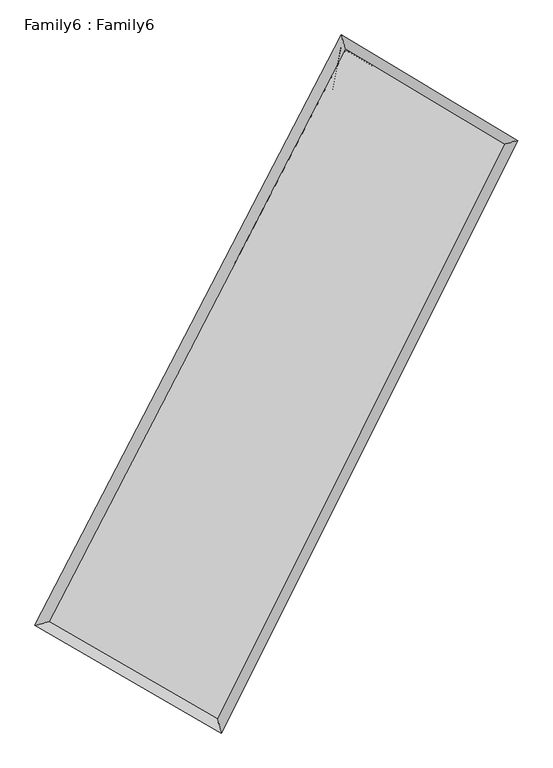
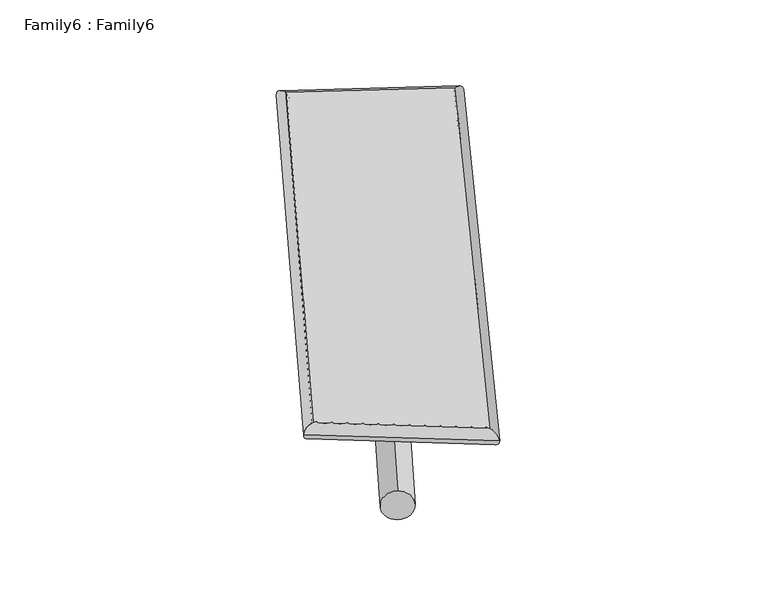
"""IFC4 building model written with IfcOpenShell, lengths in millimetres: plate geometry, Family6 : Family6."""

import ifcopenshell
import ifcopenshell.guid

model = None  # the IFC model being written
_history = None  # IfcOwnerHistory: only IFC2X3 demands one
_inside = {}  # id of a spatial element -> (the spatial element, [elements in it])
_under = {}  # id of a project, library or spatial element -> (it, [spatial elements below it])
_declared = {}  # id of a project -> (the project, [libraries it declares])
_typed = {}  # id of a type object -> (the type object, [elements of that type])
_made_of = {}  # id of a material, layer set ... -> (it, [elements and type objects made of it])


def new_model(schema):
    """Start an empty IFC model of exactly this schema.

    Asked for "IFC4X3", IfcOpenShell would pick the latest addendum, in which some entities
    have other attributes; the version numbers below select the first issue.
    IFC2X3 requires an IfcOwnerHistory on every rooted entity: one is made here for all.
    """
    global model, _history
    if schema == "IFC4X3":
        model = ifcopenshell.file(schema_version=(4, 3, 0, 0))
    else:
        model = ifcopenshell.file(schema=schema)
    _inside.clear()
    _under.clear()
    _declared.clear()
    _typed.clear()
    _made_of.clear()
    _history = None
    if model.schema == "IFC2X3":
        org = make("IfcOrganization", Name="unknown")
        user = make(
            "IfcPersonAndOrganization",
            ThePerson=make("IfcPerson", FamilyName="unknown"),
            TheOrganization=org,
        )
        app = make(
            "IfcApplication",
            ApplicationDeveloper=org,
            Version="unknown",
            ApplicationFullName="unknown",
            ApplicationIdentifier="unknown",
        )
        _history = make(
            "IfcOwnerHistory",
            OwningUser=user,
            OwningApplication=app,
            ChangeAction="ADDED",
            CreationDate=0,
        )
    return model


def make(cls, **values):
    """One entity of the class cls with the attributes given. An attribute that is None is left unset."""
    return model.create_entity(
        cls, **{name: value for name, value in values.items() if value is not None}
    )


def rooted(cls, **values):
    """An entity with a GlobalId (a new one), such as an element, a storey or a relation."""
    return make(cls, GlobalId=ifcopenshell.guid.new(), OwnerHistory=_history, **values)


def si_unit(unit_type, name, prefix=None):
    """IfcSIUnit, for example si_unit("LENGTHUNIT", "METRE", prefix="MILLI")."""
    return make("IfcSIUnit", UnitType=unit_type, Prefix=prefix, Name=name)


def assignment(units):
    """IfcUnitAssignment: the units of a project."""
    return None if units is None else make("IfcUnitAssignment", Units=units)


def point(xyz):
    """IfcCartesianPoint."""
    return None if xyz is None else make("IfcCartesianPoint", Coordinates=xyz)


def direction(xyz):
    """IfcDirection."""
    return None if xyz is None else make("IfcDirection", DirectionRatios=xyz)


def frame(location, z_axis=None, x_axis=None):
    """IfcAxis2Placement3D, a coordinate frame: its origin and axes. An axis left out is left unset."""
    return make(
        "IfcAxis2Placement3D",
        Location=point(location),
        Axis=direction(z_axis),
        RefDirection=direction(x_axis),
    )


def frame_2d(location, x_axis=None):
    """IfcAxis2Placement2D, a coordinate frame in the plane: its origin and x axis."""
    return make(
        "IfcAxis2Placement2D", Location=point(location), RefDirection=direction(x_axis)
    )


def origin():
    """The frame at (0, 0, 0) with its axes left unset."""
    return frame((0.0, 0.0, 0.0))


def origin_2d():
    """The frame at (0, 0) in the plane with its x axis left unset."""
    return frame_2d((0.0, 0.0))


def place(relative_to, where):
    """IfcLocalPlacement: puts the frame where relative to a parent placement (None: the world)."""
    return make(
        "IfcLocalPlacement", PlacementRelTo=relative_to, RelativePlacement=where
    )


def context(
    kind, dimensions, precision=None, world=None, true_north=None, identifier=None
):
    """IfcGeometricRepresentationContext, for example the 3D "Model" context."""
    return make(
        "IfcGeometricRepresentationContext",
        ContextIdentifier=identifier,
        ContextType=kind,
        CoordinateSpaceDimension=dimensions,
        Precision=precision,
        WorldCoordinateSystem=world,
        TrueNorth=true_north,
    )


def project(units=None, contexts=None):
    """IfcProject with its units and contexts."""
    return rooted(
        "IfcProject",
        Name="project",
        RepresentationContexts=contexts,
        UnitsInContext=assignment(units),
    )


def spatial(cls, under=None, at=None, **own):
    """A site, building, storey or space (cls), placed at a placement, below another one or the project."""
    s = rooted(cls, ObjectPlacement=at, **own)
    if under is not None:
        _under.setdefault(under.id(), (under, []))[1].append(s)
    return s


def circle_curve(where, radius):
    """IfcCircle in the frame where."""
    return make("IfcCircle", Position=where, Radius=radius)


def ellipse_curve(where, semi_axis1, semi_axis2):
    """IfcEllipse in the frame where."""
    return make(
        "IfcEllipse", Position=where, SemiAxis1=semi_axis1, SemiAxis2=semi_axis2
    )


def trimmed(basis, trim1, trim2, sense, master):
    """IfcTrimmedCurve: the piece of a basis curve between two trims."""
    return make(
        "IfcTrimmedCurve",
        BasisCurve=basis,
        Trim1=trim1,
        Trim2=trim2,
        SenseAgreement=sense,
        MasterRepresentation=master,
    )


def segment(curve, same_sense, transition):
    """IfcCompositeCurveSegment."""
    return make(
        "IfcCompositeCurveSegment",
        Transition=transition,
        SameSense=same_sense,
        ParentCurve=curve,
    )


def composite_curve(segments, self_intersect=None):
    """IfcCompositeCurve: segments joined end to end."""
    return make("IfcCompositeCurve", Segments=segments, SelfIntersect=self_intersect)


def outline(outer, holes=None, kind="AREA"):
    """IfcArbitraryClosedProfileDef: a profile drawn as a closed curve; with holes, ...WithVoids."""
    if holes is None:
        return make("IfcArbitraryClosedProfileDef", ProfileType=kind, OuterCurve=outer)
    return make(
        "IfcArbitraryProfileDefWithVoids",
        ProfileType=kind,
        OuterCurve=outer,
        InnerCurves=holes,
    )


def extrude(swept, where, along, depth):
    """IfcExtrudedAreaSolid: the profile swept, set in the frame where, extruded along a direction by depth."""
    return make(
        "IfcExtrudedAreaSolid",
        SweptArea=swept,
        Position=where,
        ExtrudedDirection=direction(along),
        Depth=depth,
    )


def shape(context_of_items, identifier, shape_type, items):
    """IfcShapeRepresentation: the items that make up one representation, for example the "Body"."""
    return make(
        "IfcShapeRepresentation",
        ContextOfItems=context_of_items,
        RepresentationIdentifier=identifier,
        RepresentationType=shape_type,
        Items=items,
    )


def source(mapping_origin, context_of_items, identifier, shape_type, items):
    """IfcRepresentationMap: a shape defined once, which mapped items show again and again."""
    return make(
        "IfcRepresentationMap",
        MappingOrigin=mapping_origin,
        MappedRepresentation=shape(context_of_items, identifier, shape_type, items),
    )


def transform(
    local_origin,
    x_axis=None,
    y_axis=None,
    z_axis=None,
    scale=None,
    scale2=None,
    scale3=None,
    uniform=True,
):
    """IfcCartesianTransformationOperator3D, or its non-uniform kind. x_axis, y_axis, z_axis: its Axis1, 2, 3."""
    if uniform:
        return make(
            "IfcCartesianTransformationOperator3D",
            Axis1=direction(x_axis),
            Axis2=direction(y_axis),
            LocalOrigin=point(local_origin),
            Scale=scale,
            Axis3=direction(z_axis),
        )
    return make(
        "IfcCartesianTransformationOperator3DnonUniform",
        Axis1=direction(x_axis),
        Axis2=direction(y_axis),
        LocalOrigin=point(local_origin),
        Scale=scale,
        Axis3=direction(z_axis),
        Scale2=scale2,
        Scale3=scale3,
    )


def mapped(mapping_source, mapping_target):
    """IfcMappedItem: shows the shape of a source again, moved by a transform."""
    return make(
        "IfcMappedItem", MappingSource=mapping_source, MappingTarget=mapping_target
    )


def made_of(thing, what):
    """Note that an element or type object is made of a material, layer set ...; save() writes the relation."""
    if what is not None:
        _made_of.setdefault(what.id(), (what, []))[1].append(thing)
    return thing


def element(
    cls,
    number,
    at=None,
    inside=None,
    cuts=None,
    type_object=None,
    material=None,
    context=None,
    identifier="Body",
    shape_type=None,
    held_by="IfcProductDefinitionShape",
    body=None,
    shapes=None,
    **own,
):
    """One element of the class cls, such as IfcWall. Its Tag is "e" and its number.

    at: its placement. inside: the storey or other place that contains it. cuts: it is an
    opening in that element (IfcRelVoidsElement). A single representation is given by context,
    identifier, shape_type and body (its items); several are given by shapes. held_by: the class
    of the entity that holds the representations. save() writes the other relations.
    """
    e = rooted(cls, Tag="e%d" % number, ObjectPlacement=at, **own)
    if body is not None:
        shapes = [shape(context, identifier, shape_type, body)]
    if shapes is not None:
        e.Representation = make(held_by, Representations=shapes)
    if inside is not None:
        _inside.setdefault(inside.id(), (inside, []))[1].append(e)
    if cuts is not None:
        rooted(
            "IfcRelVoidsElement", RelatingBuildingElement=cuts, RelatedOpeningElement=e
        )
    if type_object is not None:
        _typed.setdefault(type_object.id(), (type_object, []))[1].append(e)
    return made_of(e, material)


def aggregate(whole, parts):
    """IfcRelAggregates: a whole, such as a stair, and the parts it consists of."""
    return rooted("IfcRelAggregates", RelatingObject=whole, RelatedObjects=parts)


def save(model, path):
    """Write the relations noted so far, then the file.

    IfcRelAggregates (storeys below a building ...), IfcRelContainedInSpatialStructure (elements
    in a storey), IfcRelDefinesByType, IfcRelAssociatesMaterial and IfcRelDeclares: one each for
    every whole, place, type object, material and project.
    """
    for whole, parts in _under.values():
        aggregate(whole, parts)
    for where, things in _inside.values():
        rooted(
            "IfcRelContainedInSpatialStructure",
            RelatedElements=things,
            RelatingStructure=where,
        )
    for kind, things in _typed.values():
        rooted("IfcRelDefinesByType", RelatedObjects=things, RelatingType=kind)
    for what, things in _made_of.values():
        rooted("IfcRelAssociatesMaterial", RelatedObjects=things, RelatingMaterial=what)
    for by, libraries in _declared.values():
        rooted("IfcRelDeclares", RelatingContext=by, RelatedDefinitions=libraries)
    model.write(path)


def plane_surface(at):
    """IfcPlane: the flat surface through the origin of the frame at, square to its z axis."""
    return make("IfcPlane", Position=at)


def cylinder_surface(at, radius):
    """IfcCylindricalSurface: all points at the distance radius from the z axis of the frame at."""
    return make("IfcCylindricalSurface", Position=at, Radius=radius)


def spline_surface(u_degree, v_degree, points, u_multiplicities, v_multiplicities, u_knots, v_knots, weights=None):
    """IfcBSplineSurfaceWithKnots; with weights, IfcRationalBSplineSurfaceWithKnots. points: one row for each step in u."""
    own = dict(
        UDegree=u_degree,
        VDegree=v_degree,
        ControlPointsList=[[point(p) for p in row] for row in points],
        SurfaceForm="UNSPECIFIED",
        UClosed=False,
        VClosed=False,
        SelfIntersect=False,
        UMultiplicities=u_multiplicities,
        VMultiplicities=v_multiplicities,
        UKnots=u_knots,
        VKnots=v_knots,
        KnotSpec="UNSPECIFIED",
    )
    if weights is None:
        return make("IfcBSplineSurfaceWithKnots", **own)
    return make("IfcRationalBSplineSurfaceWithKnots", WeightsData=weights, **own)


def advanced_brep(points, edges, surfaces, faces):
    """IfcAdvancedBrep: a solid bounded by faces that lie on surfaces and meet in shared edges.

    An edge is (start, end): straight between two places in points (the first is 0);
    or (start, end, curve); or (start, end, curve, False) where it runs against its curve.
    A face is (place in surfaces, loops), or (place, loops, False) where it looks against
    its surface's normal. A loop lists edges by number (the first is 1), with a minus sign
    where the edge is run from its end to its start. The first loop is the outer one.
    """
    corners = [point(p) for p in points]
    vertices = [make("IfcVertexPoint", VertexGeometry=c) for c in corners]
    made = []
    for start, end, *more in edges:
        made.append(
            make(
                "IfcEdgeCurve",
                EdgeStart=vertices[start],
                EdgeEnd=vertices[end],
                EdgeGeometry=more[0] if more else make("IfcPolyline", Points=[corners[start], corners[end]]),
                SameSense=more[1] if len(more) > 1 else True,
            )
        )
    hull = []
    for where, loops, *sense in faces:
        bounds = []
        for j, loop in enumerate(loops):
            ring = [make("IfcOrientedEdge", EdgeElement=made[abs(k) - 1], Orientation=k > 0) for k in loop]
            bounds.append(
                make(
                    "IfcFaceOuterBound" if j == 0 else "IfcFaceBound",
                    Bound=make("IfcEdgeLoop", EdgeList=ring),
                    Orientation=True,
                )
            )
        hull.append(make("IfcAdvancedFace", Bounds=bounds, FaceSurface=surfaces[where], SameSense=sense[0] if sense else True))
    return make("IfcAdvancedBrep", Outer=make("IfcClosedShell", CfsFaces=hull))


def family6_family6_db4523fa(model_context):
    return source(origin(), model_context, "Body", "SolidModel", [
        extrude(outline(composite_curve([segment(trimmed(circle_curve(origin_2d(), 76.2), [point((-75.4341514, -10.7763073))], [point((75.4341514, 10.7763073))], False, "CARTESIAN"), True, "CONTINUOUS"), segment(trimmed(circle_curve(origin_2d(), 76.2), [point((75.4341514, 10.7763073))], [point((-75.4341514, -10.7763073))], False, "CARTESIAN"), True, "CONTINUOUS")], self_intersect=False)), frame((9144.0, 9144.0, 0.0), z_axis=(0.6570067204259722, 0.6953910879892106, 0.291158726574167), x_axis=(-0.688606667600217, 0.7107571081858771, -0.14368434326597204)), (0.0, 0.0, 1.0), 5446.1825385),
        extrude(outline(composite_curve([segment(trimmed(circle_curve(origin_2d(), 76.2), [point((-53.8815367, 53.8815367))], [point((53.8815367, -53.8815367))], False, "CARTESIAN"), True, "CONTINUOUS"), segment(trimmed(circle_curve(origin_2d(), 76.2), [point((53.8815367, -53.8815367))], [point((-53.8815367, 53.8815367))], False, "CARTESIAN"), True, "CONTINUOUS")], self_intersect=False)), frame((9144.0, 9144.0, 0.0), z_axis=(-0.6672543983768209, -0.6866526278262644, 0.2885822873048043), x_axis=(0.6509410539086339, -0.3492876320702501, 0.6739984379945363)), (0.0, 0.0, 1.0), 5486.4192905),
        extrude(outline(composite_curve([segment(trimmed(circle_curve(origin_2d(), 76.2), [point((-53.8815367, -53.8815367))], [point((53.8815367, 53.8815367))], False, "CARTESIAN"), True, "CONTINUOUS"), segment(trimmed(circle_curve(origin_2d(), 76.2), [point((53.8815367, 53.8815367))], [point((-53.8815367, -53.8815367))], False, "CARTESIAN"), True, "CONTINUOUS")], self_intersect=False)), frame((9144.0, 9144.0, 0.0), z_axis=(0.18709948856220854, 0.9471758756095088, 0.26048347748584844), x_axis=(-0.8514802804472933, 0.2886026246066561, -0.43782400240227626)), (0.0, 0.0, 1.0), 5598.8259911),
        extrude(outline(composite_curve([segment(trimmed(circle_curve(origin_2d(), 76.2), [point((-75.4341514, 10.7763073))], [point((75.4341514, -10.7763073))], False, "CARTESIAN"), True, "CONTINUOUS"), segment(trimmed(circle_curve(origin_2d(), 76.2), [point((75.4341514, -10.7763073))], [point((-75.4341514, 10.7763073))], False, "CARTESIAN"), True, "CONTINUOUS")], self_intersect=False)), frame((9144.0, 9144.0, 0.0), z_axis=(-0.17422100664302706, -0.9495145390081633, 0.2609007111075125), x_axis=(0.905445716325667, -0.050327167094770225, 0.42146794782013364)), (0.0, 0.0, 1.0), 5599.8141691),
        advanced_brep(
        [(5281.3151414, 5317.9921821, 1575.2517941), (5280.9565833, 5317.5399237, 1592.9824514), (5685.0100527, 5435.4793715, 1591.3150619), (10251.9392693, 14233.3318566, 1470.1849075), (10131.1356897, 14660.8139645, 1446.6184205), (5685.3686108, 5435.9316299, 1573.5844045), (12522.724355, 12873.1386599, 1584.4149661), (12921.6327019, 12989.3149417, 1586.9921791), (8104.4407508, 4039.7109783, 1463.4176454), (8232.3487261, 3614.0790832, 1458.5733522)],
        [
            (0, 1, ellipse_curve(frame((5483.1625971, 5376.7357768, 1583.283428), z_axis=(-0.2800770148968822, 0.9597930814122327, 0.01881772036306471), x_axis=(-0.959096427371781, -0.2806058463253672, 0.037341692659951645)), 210.9230691, 152.4)),
            (1, 2, ellipse_curve(frame((5483.1625971, 5376.7357768, 1583.283428), z_axis=(-0.2800770148968822, 0.9597930814122327, 0.01881772036306471), x_axis=(-0.959096427371781, -0.2806058463253672, 0.037341692659951645)), 210.9230691, 152.4)),
            (2, 3),
            (3, 4, ellipse_curve(frame((10191.5374795, 14447.0729105, 1458.401664), z_axis=(-0.9617426196179376, -0.2730250878938607, -0.022548503076174724), x_axis=(0.27207334213912565, -0.9615267183466343, 0.037979815728863636)), 222.4524006, 152.4)),
            (4, 0),
            (2, 5, ellipse_curve(frame((5483.1625971, 5376.7357768, 1583.283428), z_axis=(-0.2800770148968822, 0.9597930814122327, 0.01881772036306471), x_axis=(-0.959096427371781, -0.2806058463253672, 0.037341692659951645)), 210.9230691, 152.4)),
            (5, 0, ellipse_curve(frame((5483.1625971, 5376.7357768, 1583.283428), z_axis=(-0.2800770148968822, 0.9597930814122327, 0.01881772036306471), x_axis=(-0.959096427371781, -0.2806058463253672, 0.037341692659951645)), 210.9230691, 152.4)),
            (4, 3, ellipse_curve(frame((10191.5374795, 14447.0729105, 1458.401664), z_axis=(-0.9617426196179376, -0.2730250878938607, -0.022548503076174724), x_axis=(0.27207334213912565, -0.9615267183466343, 0.037979815728863636)), 222.4524006, 152.4)),
            (3, 6),
            (6, 7, ellipse_curve(frame((12722.1785284, 12931.2268008, 1585.7035726), z_axis=(-0.2794311945298487, 0.9599350043572891, -0.021047444813879393), x_axis=(-0.9591118831855159, -0.280084177775266, -0.04070932193351564)), 207.8511226, 152.4)),
            (7, 4),
            (7, 6, ellipse_curve(frame((12722.1785284, 12931.2268008, 1585.7035726), z_axis=(-0.2794311945298487, 0.9599350043572891, -0.021047444813879393), x_axis=(-0.9591118831855159, -0.280084177775266, -0.04070932193351564)), 207.8511226, 152.4)),
            (6, 8),
            (8, 9, ellipse_curve(frame((8168.3947385, 3826.8950307, 1460.9954988), z_axis=(0.9574408055534295, 0.2879490137180164, -0.01981083945777407), x_axis=(-0.287150887093796, 0.9572280399821902, 0.03548024116463314)), 222.3067432, 152.4)),
            (9, 7),
            (9, 8, ellipse_curve(frame((8168.3947385, 3826.8950307, 1460.9954988), z_axis=(0.9574408055534295, 0.2879490137180164, -0.01981083945777407), x_axis=(-0.287150887093796, 0.9572280399821902, 0.03548024116463314)), 222.3067432, 152.4)),
            (8, 5),
            (1, 9),
        ],
        [
            cylinder_surface(frame((5483.1625971, 5376.7357768, 1583.283428), z_axis=(-0.46068659474645496, -0.8874787653253287, 0.01221894093389048), x_axis=(-0.886068608196641, 0.4590689026136495, -0.06432856458500501)), 152.4),
            cylinder_surface(frame((10191.5374795, 14447.0729105, 1458.401664), z_axis=(-0.8570746416766113, 0.513385042058227, -0.04311446608484337), x_axis=(0.5147732418797989, 0.8567480336419248, -0.03148517580159942)), 152.4),
            cylinder_surface(frame((12722.1785284, 12931.2268008, 1585.7035726), z_axis=(0.447307174286638, 0.8942965027896644, 0.01224977264600001), x_axis=(0.8943757179123539, -0.4473071742866381, -0.002892583700527732)), 152.4),
            cylinder_surface(frame((8168.3947385, 3826.8950307, 1460.9954988), z_axis=(0.865419346367196, -0.4994957958308042, -0.039411989048091914), x_axis=(-0.4988298180489465, -0.8663118351070501, 0.02593486029864195)), 152.4),
        ],
        [
            (0, [[1, 2, 3, 4, 5]]),
            (0, [[6, 7, -5, 8, -3]]),
            (1, [[-4, 9, 10, 11]]),
            (1, [[-8, -11, 12, -9]]),
            (2, [[-10, 13, 14, 15]]),
            (2, [[-12, -15, 16, -13]]),
            (3, [[-14, 17, -6, -2, 18]]),
            (3, [[-16, -18, -1, -7, -17]]),
        ],
    ),
        extrude(outline(composite_curve([segment(trimmed(circle_curve(origin_2d(), 304.8), [point((1e-07, -304.8))], [point((0.0, 304.7999999))], False, "CARTESIAN"), True, "CONTINUOUS"), segment(trimmed(circle_curve(origin_2d(), 304.8), [point((0.0, 304.7999999))], [point((1e-07, -304.8))], False, "CARTESIAN"), True, "CONTINUOUS")], self_intersect=False)), frame((6764.1222053, 4614.9496352, -0.1493648), z_axis=(0.4651596738543235, 0.8852267940858102, 2.9194146419228232e-05), x_axis=(-0.8852267945379033, 0.4651596738543235, 7.203345331938588e-06)), (0.0, 0.0, 1.0), 10232.5198357),
        advanced_brep(
        [(5483.1625971, 5376.7357768, 1583.283428), (8168.3947385, 3826.8950307, 1460.9954988), (8168.4273044, 3826.8849307, 1613.395495), (5483.195163, 5376.7256768, 1735.6834242), (12722.1785284, 12931.2268008, 1585.7035726), (12722.2110944, 12931.2167008, 1738.1035688), (10191.5374795, 14447.0729105, 1458.401664), (10191.5700455, 14447.0628105, 1610.8016602)],
        [
            (0, 1),
            (1, 2),
            (2, 3),
            (3, 0),
            (1, 4),
            (4, 5),
            (5, 2),
            (4, 6),
            (6, 7),
            (7, 5),
            (6, 0),
            (3, 7),
        ],
        [
            plane_surface(frame((6825.7786678, 4601.8154038, 1522.1394634), z_axis=(-0.4998824941384316, -0.8660932337869954, 4.941989663006727e-05), x_axis=(0.8654193463671961, -0.4994957958308041, -0.03941198904809191))),
            plane_surface(frame((10445.2866334, 8379.0609158, 1523.3495357), z_axis=(0.8943647960611533, -0.4473383091476055, -0.0002207610779980827), x_axis=(0.4473071742866383, 0.8942965027896645, 0.012249772646000004))),
            plane_surface(frame((11456.858004, 13689.1498557, 1522.0526183), z_axis=(0.513864822694707, 0.8578711681790889, -5.295264737458644e-05), x_axis=(-0.8570746416766112, 0.5133850420582271, -0.04311446608484336))),
            plane_surface(frame((7837.3500383, 9911.9043437, 1520.842546), z_axis=(-0.887543762972438, 0.46072336637600025, 0.00022019057863106872), x_axis=(-0.460686594746455, -0.8874787653253287, 0.012218940933890483))),
            spline_surface(1, 1, [[(8168.4273044, 3826.8849307, 1613.395495), (5483.195163, 5376.7256768, 1735.6834242)], [(12722.2110944, 12931.2167008, 1738.1035688), (10191.5700455, 14447.0628105, 1610.8016602)]], [2, 2], [2, 2], [0.0, 1.0], [0.0, 1.0]),
            spline_surface(1, 1, [[(10191.5374795, 14447.0729105, 1458.401664), (5483.1625971, 5376.7357768, 1583.283428)], [(12722.1785284, 12931.2268008, 1585.7035726), (8168.3947385, 3826.8950307, 1460.9954988)]], [2, 2], [2, 2], [0.0, 1.0], [0.0, 1.0]),
        ],
        [
            (0, [[1, 2, 3, 4]]),
            (1, [[5, 6, 7, -2]]),
            (2, [[8, 9, 10, -6]]),
            (3, [[11, -4, 12, -9]]),
            (4, [[-3, -7, -10, -12]]),
            (5, [[-11, -8, -5, -1]]),
        ],
    ),
    ])


if __name__ == "__main__":
    model = new_model("IFC4")
    model_context = context("Model", 3, world=origin())
    ifc_project = project(units=[si_unit("LENGTHUNIT", "METRE", prefix="MILLI")], contexts=[model_context])
    site = spatial("IfcSite", under=ifc_project)
    building = spatial("IfcBuilding", under=site)
    placement = place(None, origin())
    family6_family6_shape = family6_family6_db4523fa(model_context)
    element("IfcPlate", 1, ObjectType="Family6 : Family6", at=placement, inside=building, context=model_context, shape_type="MappedRepresentation", body=[
        mapped(family6_family6_shape, transform((0.0, 0.0, 0.0), x_axis=(1.0, 0.0, 0.0), y_axis=(0.0, 1.0, 0.0), z_axis=(0.0, 0.0, 1.0))),
    ])
    save(model, "model.ifc")
